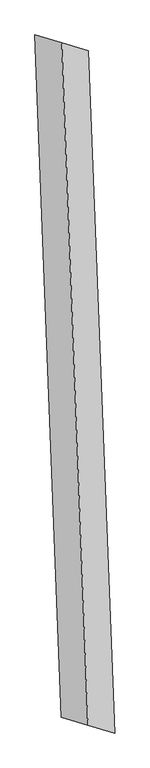
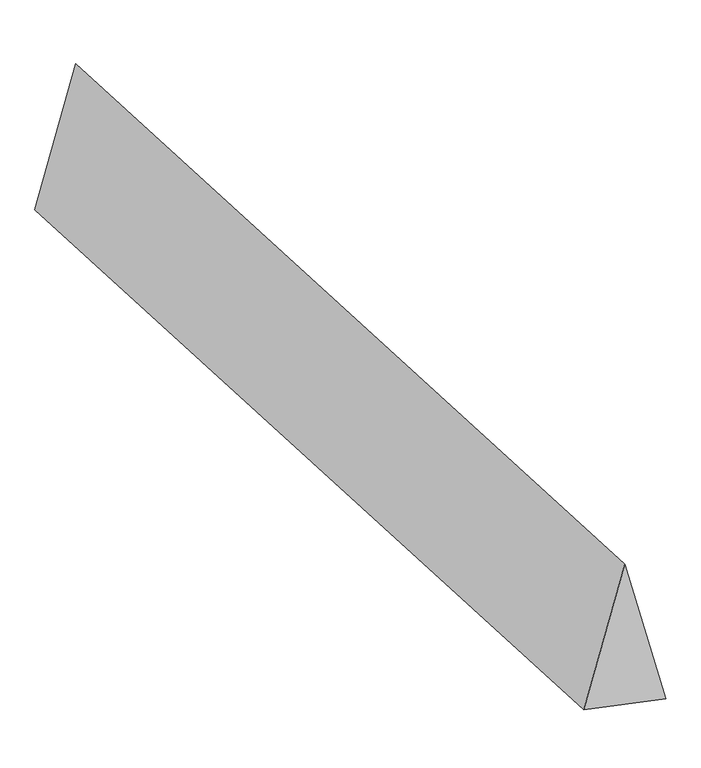
"""IFC4 building model written with IfcOpenShell, lengths in millimetres: proxy geometry."""

from ifc_helpers import new_model, si_unit, origin, place, context, project, spatial, faceted_brep, source, transform, mapped, element, save


def generic_models_581e4c02(model_context):
    return source(origin(), model_context, "Body", "Brep", [
        faceted_brep([(81.1278819, -2109.313825, 700.0), (246.7849418, -2158.2264945, 0.0), (84.529178, 2060.4011555, 0.0), (-81.1278819, 2109.313825, 700.0), (-84.529178, -2060.4011555, 0.0), (-246.7849418, 2158.2264945, 0.0)], [[[0, 1, 2, 3]], [[1, 4, 5, 2]], [[4, 0, 3, 5]], [[3, 2, 5]], [[0, 4, 1]]]),
    ])


if __name__ == "__main__":
    model = new_model("IFC4")
    model_context = context("Model", 3, world=origin())
    ifc_project = project(units=[si_unit("LENGTHUNIT", "METRE", prefix="MILLI")], contexts=[model_context])
    site = spatial("IfcSite", under=ifc_project)
    building = spatial("IfcBuilding", under=site)
    placement = place(None, origin())
    generic_models_shape = generic_models_581e4c02(model_context)
    element("IfcBuildingElementProxy", 1, Name="Generic Models", at=placement, inside=building, context=model_context, shape_type="MappedRepresentation", body=[
        mapped(generic_models_shape, transform((0.0, 0.0, 0.0), x_axis=(1.0, 0.0, 0.0), y_axis=(0.0, 1.0, 0.0), z_axis=(0.0, 0.0, 1.0))),
    ])
    save(model, "model.ifc")
